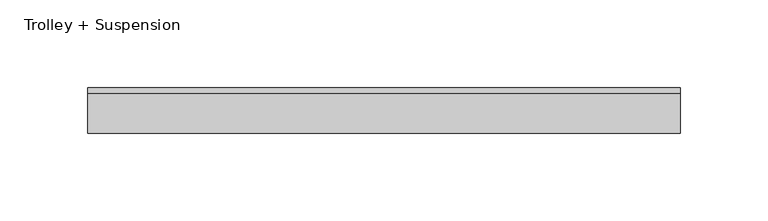
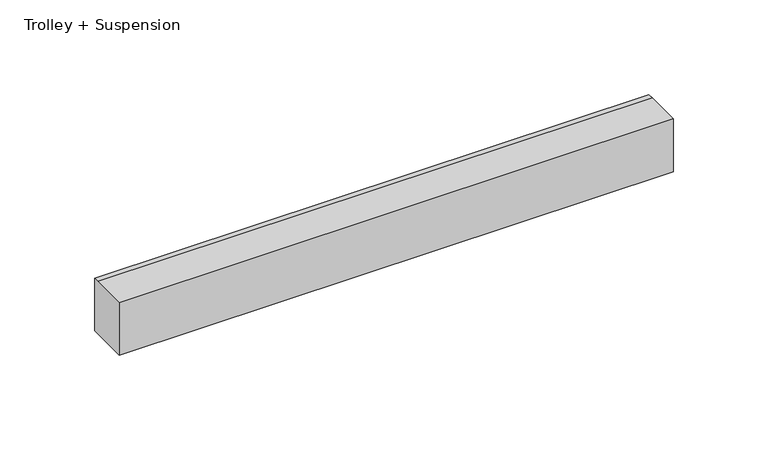
"""IFC4 building model written with IfcOpenShell, lengths in millimetres: proxy geometry, Trolley + Suspension."""

from ifc_helpers import new_model, si_unit, frame, origin, place, context, project, spatial, polyline, outline, extrude, source, transform, mapped, element, save


def trolley_suspension_9014318d(model_context):
    return source(origin(), model_context, "Body", "SweptSolid", [
        extrude(outline(polyline([(-13.0, 34.0), (9.692747, 34.0), (13.0, 34.0), (13.0, 0.0), (-13.0, 0.0), (-13.0, 34.0)])), frame((-169.2857143, 0.0, 0.0), z_axis=(1.0, 0.0, 0.0), x_axis=(0.0, 1.0, 0.0)), (0.0, 0.0, 1.0), 338.5714286),
    ])


if __name__ == "__main__":
    model = new_model("IFC4")
    model_context = context("Model", 3, world=origin())
    ifc_project = project(units=[si_unit("LENGTHUNIT", "METRE", prefix="MILLI")], contexts=[model_context])
    site = spatial("IfcSite", under=ifc_project)
    building = spatial("IfcBuilding", under=site)
    placement = place(None, origin())
    trolley_suspension_shape = trolley_suspension_9014318d(model_context)
    element("IfcBuildingElementProxy", 1, Name="Trolley + Suspension", ObjectType="Trolley + Suspension", at=placement, inside=building, context=model_context, shape_type="MappedRepresentation", body=[
        mapped(trolley_suspension_shape, transform((0.0, 0.0, 0.0), x_axis=(1.0, 0.0, 0.0), y_axis=(0.0, 1.0, 0.0), z_axis=(0.0, 0.0, 1.0))),
    ])
    save(model, "model.ifc")
